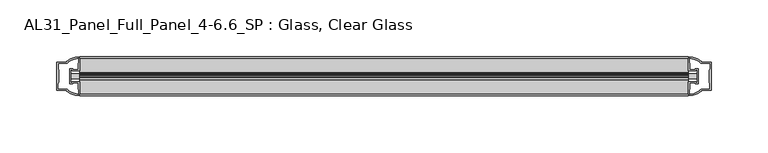
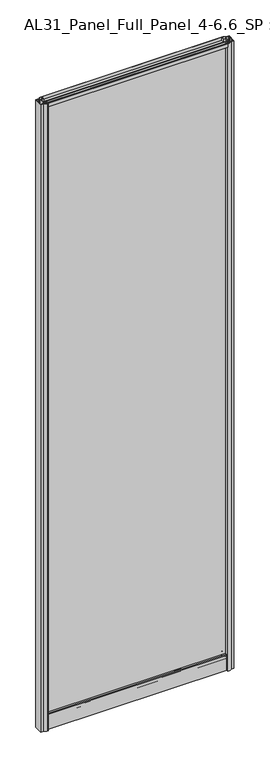
"""IFC4 building model written with IfcOpenShell, lengths in millimetres: plate geometry, AL31_Panel_Full_Panel_4-6.6_SP : Glass, Clear Glass."""

import ifcopenshell
import ifcopenshell.guid

model = None  # the IFC model being written
_history = None  # IfcOwnerHistory: only IFC2X3 demands one
_inside = {}  # id of a spatial element -> (the spatial element, [elements in it])
_under = {}  # id of a project, library or spatial element -> (it, [spatial elements below it])
_declared = {}  # id of a project -> (the project, [libraries it declares])
_typed = {}  # id of a type object -> (the type object, [elements of that type])
_made_of = {}  # id of a material, layer set ... -> (it, [elements and type objects made of it])


def new_model(schema):
    """Start an empty IFC model of exactly this schema.

    Asked for "IFC4X3", IfcOpenShell would pick the latest addendum, in which some entities
    have other attributes; the version numbers below select the first issue.
    IFC2X3 requires an IfcOwnerHistory on every rooted entity: one is made here for all.
    """
    global model, _history
    if schema == "IFC4X3":
        model = ifcopenshell.file(schema_version=(4, 3, 0, 0))
    else:
        model = ifcopenshell.file(schema=schema)
    _inside.clear()
    _under.clear()
    _declared.clear()
    _typed.clear()
    _made_of.clear()
    _history = None
    if model.schema == "IFC2X3":
        org = make("IfcOrganization", Name="unknown")
        user = make(
            "IfcPersonAndOrganization",
            ThePerson=make("IfcPerson", FamilyName="unknown"),
            TheOrganization=org,
        )
        app = make(
            "IfcApplication",
            ApplicationDeveloper=org,
            Version="unknown",
            ApplicationFullName="unknown",
            ApplicationIdentifier="unknown",
        )
        _history = make(
            "IfcOwnerHistory",
            OwningUser=user,
            OwningApplication=app,
            ChangeAction="ADDED",
            CreationDate=0,
        )
    return model


def make(cls, **values):
    """One entity of the class cls with the attributes given. An attribute that is None is left unset."""
    return model.create_entity(
        cls, **{name: value for name, value in values.items() if value is not None}
    )


def rooted(cls, **values):
    """An entity with a GlobalId (a new one), such as an element, a storey or a relation."""
    return make(cls, GlobalId=ifcopenshell.guid.new(), OwnerHistory=_history, **values)


def si_unit(unit_type, name, prefix=None):
    """IfcSIUnit, for example si_unit("LENGTHUNIT", "METRE", prefix="MILLI")."""
    return make("IfcSIUnit", UnitType=unit_type, Prefix=prefix, Name=name)


def assignment(units):
    """IfcUnitAssignment: the units of a project."""
    return None if units is None else make("IfcUnitAssignment", Units=units)


def point(xyz):
    """IfcCartesianPoint."""
    return None if xyz is None else make("IfcCartesianPoint", Coordinates=xyz)


def direction(xyz):
    """IfcDirection."""
    return None if xyz is None else make("IfcDirection", DirectionRatios=xyz)


def frame(location, z_axis=None, x_axis=None):
    """IfcAxis2Placement3D, a coordinate frame: its origin and axes. An axis left out is left unset."""
    return make(
        "IfcAxis2Placement3D",
        Location=point(location),
        Axis=direction(z_axis),
        RefDirection=direction(x_axis),
    )


def frame_2d(location, x_axis=None):
    """IfcAxis2Placement2D, a coordinate frame in the plane: its origin and x axis."""
    return make(
        "IfcAxis2Placement2D", Location=point(location), RefDirection=direction(x_axis)
    )


def origin():
    """The frame at (0, 0, 0) with its axes left unset."""
    return frame((0.0, 0.0, 0.0))


def origin_with_axes():
    """The frame at (0, 0, 0) with the z axis (0, 0, 1) and the x axis (1, 0, 0) written out."""
    return frame((0.0, 0.0, 0.0), z_axis=(0.0, 0.0, 1.0), x_axis=(1.0, 0.0, 0.0))


def place(relative_to, where):
    """IfcLocalPlacement: puts the frame where relative to a parent placement (None: the world)."""
    return make(
        "IfcLocalPlacement", PlacementRelTo=relative_to, RelativePlacement=where
    )


def context(
    kind, dimensions, precision=None, world=None, true_north=None, identifier=None
):
    """IfcGeometricRepresentationContext, for example the 3D "Model" context."""
    return make(
        "IfcGeometricRepresentationContext",
        ContextIdentifier=identifier,
        ContextType=kind,
        CoordinateSpaceDimension=dimensions,
        Precision=precision,
        WorldCoordinateSystem=world,
        TrueNorth=true_north,
    )


def project(units=None, contexts=None):
    """IfcProject with its units and contexts."""
    return rooted(
        "IfcProject",
        Name="project",
        RepresentationContexts=contexts,
        UnitsInContext=assignment(units),
    )


def spatial(cls, under=None, at=None, **own):
    """A site, building, storey or space (cls), placed at a placement, below another one or the project."""
    s = rooted(cls, ObjectPlacement=at, **own)
    if under is not None:
        _under.setdefault(under.id(), (under, []))[1].append(s)
    return s


def polyline(points):
    """IfcPolyline through the points."""
    return make("IfcPolyline", Points=[point(p) for p in points])


def circle_curve(where, radius):
    """IfcCircle in the frame where."""
    return make("IfcCircle", Position=where, Radius=radius)


def trimmed(basis, trim1, trim2, sense, master):
    """IfcTrimmedCurve: the piece of a basis curve between two trims."""
    return make(
        "IfcTrimmedCurve",
        BasisCurve=basis,
        Trim1=trim1,
        Trim2=trim2,
        SenseAgreement=sense,
        MasterRepresentation=master,
    )


def segment(curve, same_sense, transition):
    """IfcCompositeCurveSegment."""
    return make(
        "IfcCompositeCurveSegment",
        Transition=transition,
        SameSense=same_sense,
        ParentCurve=curve,
    )


def composite_curve(segments, self_intersect=None):
    """IfcCompositeCurve: segments joined end to end."""
    return make("IfcCompositeCurve", Segments=segments, SelfIntersect=self_intersect)


def outline(outer, holes=None, kind="AREA"):
    """IfcArbitraryClosedProfileDef: a profile drawn as a closed curve; with holes, ...WithVoids."""
    if holes is None:
        return make("IfcArbitraryClosedProfileDef", ProfileType=kind, OuterCurve=outer)
    return make(
        "IfcArbitraryProfileDefWithVoids",
        ProfileType=kind,
        OuterCurve=outer,
        InnerCurves=holes,
    )


def extrude(swept, where, along, depth):
    """IfcExtrudedAreaSolid: the profile swept, set in the frame where, extruded along a direction by depth."""
    return make(
        "IfcExtrudedAreaSolid",
        SweptArea=swept,
        Position=where,
        ExtrudedDirection=direction(along),
        Depth=depth,
    )


def shape(context_of_items, identifier, shape_type, items):
    """IfcShapeRepresentation: the items that make up one representation, for example the "Body"."""
    return make(
        "IfcShapeRepresentation",
        ContextOfItems=context_of_items,
        RepresentationIdentifier=identifier,
        RepresentationType=shape_type,
        Items=items,
    )


def source(mapping_origin, context_of_items, identifier, shape_type, items):
    """IfcRepresentationMap: a shape defined once, which mapped items show again and again."""
    return make(
        "IfcRepresentationMap",
        MappingOrigin=mapping_origin,
        MappedRepresentation=shape(context_of_items, identifier, shape_type, items),
    )


def transform(
    local_origin,
    x_axis=None,
    y_axis=None,
    z_axis=None,
    scale=None,
    scale2=None,
    scale3=None,
    uniform=True,
):
    """IfcCartesianTransformationOperator3D, or its non-uniform kind. x_axis, y_axis, z_axis: its Axis1, 2, 3."""
    if uniform:
        return make(
            "IfcCartesianTransformationOperator3D",
            Axis1=direction(x_axis),
            Axis2=direction(y_axis),
            LocalOrigin=point(local_origin),
            Scale=scale,
            Axis3=direction(z_axis),
        )
    return make(
        "IfcCartesianTransformationOperator3DnonUniform",
        Axis1=direction(x_axis),
        Axis2=direction(y_axis),
        LocalOrigin=point(local_origin),
        Scale=scale,
        Axis3=direction(z_axis),
        Scale2=scale2,
        Scale3=scale3,
    )


def mapped(mapping_source, mapping_target):
    """IfcMappedItem: shows the shape of a source again, moved by a transform."""
    return make(
        "IfcMappedItem", MappingSource=mapping_source, MappingTarget=mapping_target
    )


def made_of(thing, what):
    """Note that an element or type object is made of a material, layer set ...; save() writes the relation."""
    if what is not None:
        _made_of.setdefault(what.id(), (what, []))[1].append(thing)
    return thing


def element(
    cls,
    number,
    at=None,
    inside=None,
    cuts=None,
    type_object=None,
    material=None,
    context=None,
    identifier="Body",
    shape_type=None,
    held_by="IfcProductDefinitionShape",
    body=None,
    shapes=None,
    **own,
):
    """One element of the class cls, such as IfcWall. Its Tag is "e" and its number.

    at: its placement. inside: the storey or other place that contains it. cuts: it is an
    opening in that element (IfcRelVoidsElement). A single representation is given by context,
    identifier, shape_type and body (its items); several are given by shapes. held_by: the class
    of the entity that holds the representations. save() writes the other relations.
    """
    e = rooted(cls, Tag="e%d" % number, ObjectPlacement=at, **own)
    if body is not None:
        shapes = [shape(context, identifier, shape_type, body)]
    if shapes is not None:
        e.Representation = make(held_by, Representations=shapes)
    if inside is not None:
        _inside.setdefault(inside.id(), (inside, []))[1].append(e)
    if cuts is not None:
        rooted(
            "IfcRelVoidsElement", RelatingBuildingElement=cuts, RelatedOpeningElement=e
        )
    if type_object is not None:
        _typed.setdefault(type_object.id(), (type_object, []))[1].append(e)
    return made_of(e, material)


def aggregate(whole, parts):
    """IfcRelAggregates: a whole, such as a stair, and the parts it consists of."""
    return rooted("IfcRelAggregates", RelatingObject=whole, RelatedObjects=parts)


def save(model, path):
    """Write the relations noted so far, then the file.

    IfcRelAggregates (storeys below a building ...), IfcRelContainedInSpatialStructure (elements
    in a storey), IfcRelDefinesByType, IfcRelAssociatesMaterial and IfcRelDeclares: one each for
    every whole, place, type object, material and project.
    """
    for whole, parts in _under.values():
        aggregate(whole, parts)
    for where, things in _inside.values():
        rooted(
            "IfcRelContainedInSpatialStructure",
            RelatedElements=things,
            RelatingStructure=where,
        )
    for kind, things in _typed.values():
        rooted("IfcRelDefinesByType", RelatedObjects=things, RelatingType=kind)
    for what, things in _made_of.values():
        rooted("IfcRelAssociatesMaterial", RelatedObjects=things, RelatingMaterial=what)
    for by, libraries in _declared.values():
        rooted("IfcRelDeclares", RelatingContext=by, RelatedDefinitions=libraries)
    model.write(path)


def al31_panel_full_panel_4_6_6_sp_glass_clear_glass_26924549(model_context):
    return source(origin(), model_context, "Body", "SweptSolid", [
        extrude(outline(composite_curve([segment(polyline([(-1.4, 1968.8980762), (-0.85, 1967.9454483)]), True, "CONTINUOUS"), segment(trimmed(circle_curve(frame_2d((0.1, 1966.3)), 1.9), [point((-0.85, 1967.9454483))], [point((1.05, 1967.9454483))], True, "CARTESIAN"), True, "CONTINUOUS"), segment(polyline([(1.05, 1967.9454483), (1.6, 1968.8980762)]), True, "CONTINUOUS"), segment(trimmed(circle_curve(frame_2d((0.1, 1966.3)), 3.0), [point((1.6, 1968.8980762))], [point((2.5718414, 1964.6))], False, "CARTESIAN"), True, "CONTINUOUS"), segment(polyline([(2.5718414, 1964.6), (15.7, 1964.6), (15.7, 1974.0), (17.0, 1974.0), (17.0, 1963.5), (6.7024688, 1963.5), (6.7024688, 1962.7), (6.1968782, 1960.7785039), (6.1968782, 1956.1), (5.0, 1956.1), (5.0, 1961.4339746), (5.5, 1962.3), (5.5, 1963.5), (-5.5, 1963.5), (-5.5, 1962.3), (-5.0, 1961.4339746), (-5.0, 1956.1), (-6.1968782, 1956.1), (-6.1968782, 1960.7785039), (-6.7024688, 1962.7), (-6.7024688, 1963.5), (-17.0, 1963.5), (-17.0, 1974.0), (-15.7, 1974.0), (-15.7, 1964.6), (-2.3718414, 1964.6)]), True, "CONTINUOUS"), segment(trimmed(circle_curve(frame_2d((0.1, 1966.3)), 3.0), [point((-2.3718414, 1964.6))], [point((-1.4, 1968.8980762))], False, "CARTESIAN"), True, "CONTINUOUS")], self_intersect=False)), frame((-267.3676316, 0.0, 0.0), z_axis=(1.0, 0.0, 0.0), x_axis=(0.0, 1.0, 0.0)), (0.0, 0.0, 1.0), 534.7352632),
        extrude(outline(composite_curve([segment(polyline([(-275.209053, -5.9), (-274.009053, -5.9), (-274.009053, -5.0), (-267.3676316, -5.0), (-267.3676316, -17.0001453)]), True, "CONTINUOUS"), segment(trimmed(circle_curve(frame_2d((-267.00298, 2.9965302)), 20.0), [point((-267.3676316, -17.0001453))], [point((-278.7234668, -13.2093388))], False, "CARTESIAN"), True, "CONTINUOUS"), segment(polyline([(-278.7234668, -13.2093388), (-278.7234668, -12.3279343), (-287.3676316, -12.3279343), (-287.3676316, 12.3720657), (-278.7234668, 12.3720657), (-278.7234668, 13.2095249)]), True, "CONTINUOUS"), segment(trimmed(circle_curve(frame_2d((-267.00298, -2.9963441)), 20.0), [point((-278.7234668, 13.2095249))], [point((-267.3676316, 17.0003314))], False, "CARTESIAN"), True, "CONTINUOUS"), segment(polyline([(-267.3676316, 17.0003314), (-267.3676316, 5.0), (-274.009053, 5.0), (-274.009053, 5.9), (-275.209053, 5.9), (-275.209053, -5.9)]), True, "CONTINUOUS")], self_intersect=False), holes=[composite_curve([segment(trimmed(circle_curve(frame_2d((-274.209053, 5.7)), 1.5), [point((-274.209053, 7.2))], [point((-272.8537987, 6.3428731))], False, "CARTESIAN"), True, "CONTINUOUS"), segment(polyline([(-272.8537987, 6.3428731), (-269.109053, 6.3428731), (-269.109053, 10.939223), (-268.6697131, 11.9998832), (-268.6697131, 15.6499817)]), True, "CONTINUOUS"), segment(trimmed(circle_curve(frame_2d((-267.00298, -2.9755921)), 18.7), [point((-268.6697131, 15.6499817))], [point((-277.0097578, 12.8216987))], True, "CARTESIAN"), True, "CONTINUOUS"), segment(trimmed(circle_curve(frame_2d((-278.809053, 12.8720657)), 1.8), [point((-277.0097578, 12.8216987))], [point((-278.809053, 11.0720657))], False, "CARTESIAN"), True, "CONTINUOUS"), segment(polyline([(-278.809053, 11.0720657), (-285.9504743, 11.0720657), (-285.9504743, 6.5019606), (-285.509053, 5.439223), (-285.509053, -5.3950916), (-286.009053, -6.3879987), (-286.009053, -11.0279343), (-278.809053, -11.0279343)]), True, "CONTINUOUS"), segment(trimmed(circle_curve(frame_2d((-278.809053, -12.8279343)), 1.8), [point((-278.809053, -11.0279343))], [point((-277.0097578, -12.7775673))], False, "CARTESIAN"), True, "CONTINUOUS"), segment(trimmed(circle_curve(frame_2d((-267.00298, 3.0197235)), 18.7), [point((-277.0097578, -12.7775673))], [point((-268.6697131, -15.6058503))], True, "CARTESIAN"), True, "CONTINUOUS"), segment(polyline([(-268.6697131, -15.6058503), (-268.6697131, -11.9557518), (-269.109053, -10.8950916), (-269.109053, -6.2991308), (-272.8339012, -6.2991308)]), True, "CONTINUOUS"), segment(trimmed(circle_curve(frame_2d((-274.209053, -5.7)), 1.5), [point((-272.8339012, -6.2991308))], [point((-274.209053, -7.2))], False, "CARTESIAN"), True, "CONTINUOUS"), segment(polyline([(-274.209053, -7.2), (-276.509053, -7.2), (-276.509053, 7.2), (-274.209053, 7.2)]), True, "CONTINUOUS")], self_intersect=False)]), origin_with_axes(), (0.0, 0.0, 1.0), 1974.0),
        extrude(outline(composite_curve([segment(polyline([(275.209053, 5.9), (274.009053, 5.9), (274.009053, 5.0), (267.3676316, 5.0), (267.3676316, 17.0001453)]), True, "CONTINUOUS"), segment(trimmed(circle_curve(frame_2d((267.00298, -2.9965302)), 20.0), [point((267.3676316, 17.0001453))], [point((278.7234668, 13.2093388))], False, "CARTESIAN"), True, "CONTINUOUS"), segment(polyline([(278.7234668, 13.2093388), (278.7234668, 12.3279343), (287.3676316, 12.3279343), (287.3676316, -12.3720657), (278.7234668, -12.3720657), (278.7234668, -13.2095249)]), True, "CONTINUOUS"), segment(trimmed(circle_curve(frame_2d((267.00298, 2.9963441)), 20.0), [point((278.7234668, -13.2095249))], [point((267.3676316, -17.0003314))], False, "CARTESIAN"), True, "CONTINUOUS"), segment(polyline([(267.3676316, -17.0003314), (267.3676316, -5.0), (274.009053, -5.0), (274.009053, -5.9), (275.209053, -5.9), (275.209053, 5.9)]), True, "CONTINUOUS")], self_intersect=False), holes=[composite_curve([segment(trimmed(circle_curve(frame_2d((274.209053, -5.7)), 1.5), [point((274.209053, -7.2))], [point((272.8537987, -6.3428731))], False, "CARTESIAN"), True, "CONTINUOUS"), segment(polyline([(272.8537987, -6.3428731), (269.109053, -6.3428731), (269.109053, -10.939223), (268.6697131, -11.9998832), (268.6697131, -15.6499817)]), True, "CONTINUOUS"), segment(trimmed(circle_curve(frame_2d((267.00298, 2.9755921)), 18.7), [point((268.6697131, -15.6499817))], [point((277.0097578, -12.8216987))], True, "CARTESIAN"), True, "CONTINUOUS"), segment(trimmed(circle_curve(frame_2d((278.809053, -12.8720657)), 1.8), [point((277.0097578, -12.8216987))], [point((278.809053, -11.0720657))], False, "CARTESIAN"), True, "CONTINUOUS"), segment(polyline([(278.809053, -11.0720657), (285.9504743, -11.0720657), (285.9504743, -6.5019606), (285.509053, -5.439223), (285.509053, 5.3950916), (286.009053, 6.3879987), (286.009053, 11.0279343), (278.809053, 11.0279343)]), True, "CONTINUOUS"), segment(trimmed(circle_curve(frame_2d((278.809053, 12.8279343)), 1.8), [point((278.809053, 11.0279343))], [point((277.0097578, 12.7775673))], False, "CARTESIAN"), True, "CONTINUOUS"), segment(trimmed(circle_curve(frame_2d((267.00298, -3.0197235)), 18.7), [point((277.0097578, 12.7775673))], [point((268.6697131, 15.6058503))], True, "CARTESIAN"), True, "CONTINUOUS"), segment(polyline([(268.6697131, 15.6058503), (268.6697131, 11.9557518), (269.109053, 10.8950916), (269.109053, 6.2991308), (272.8339012, 6.2991308)]), True, "CONTINUOUS"), segment(trimmed(circle_curve(frame_2d((274.209053, 5.7)), 1.5), [point((272.8339012, 6.2991308))], [point((274.209053, 7.2))], False, "CARTESIAN"), True, "CONTINUOUS"), segment(polyline([(274.209053, 7.2), (276.509053, 7.2), (276.509053, -7.2), (274.209053, -7.2)]), True, "CONTINUOUS")], self_intersect=False)]), origin_with_axes(), (0.0, 0.0, 1.0), 1974.0),
        extrude(outline(composite_curve([segment(trimmed(circle_curve(frame_2d((-8.4, 34.8)), 1.0), [point((-8.4, 35.8))], [point((-9.4, 34.8))], True, "CARTESIAN"), True, "CONTINUOUS"), segment(polyline([(-9.4, 34.8), (-9.4, 33.5), (-5.0000303, 33.5), (-5.0000303, 32.3), (-9.4, 32.3), (-9.4, 0.0), (-10.6, 0.0), (-10.6, 47.3)]), True, "CONTINUOUS"), segment(trimmed(circle_curve(frame_2d((-8.6, 47.3)), 2.0), [point((-10.6, 47.3))], [point((-8.6, 49.3))], False, "CARTESIAN"), True, "CONTINUOUS"), segment(polyline([(-8.6, 49.3), (-5.0, 49.3), (-5.0, 41.9), (5.0, 41.9), (5.0, 49.3), (8.6, 49.3)]), True, "CONTINUOUS"), segment(trimmed(circle_curve(frame_2d((8.6, 47.3)), 2.0), [point((8.6, 49.3))], [point((10.6, 47.3))], False, "CARTESIAN"), True, "CONTINUOUS"), segment(polyline([(10.6, 47.3), (10.6, 0.0), (9.4, 0.0), (9.4, 32.3), (4.9999697, 32.3), (4.9999697, 33.5), (9.4, 33.5), (9.4, 34.8)]), True, "CONTINUOUS"), segment(trimmed(circle_curve(frame_2d((8.4, 34.8)), 1.0), [point((9.4, 34.8))], [point((8.4, 35.8))], True, "CARTESIAN"), True, "CONTINUOUS"), segment(polyline([(8.4, 35.8), (-8.4, 35.8)]), True, "CONTINUOUS")], self_intersect=False), holes=[composite_curve([segment(trimmed(circle_curve(frame_2d((5.5024688, 41.8)), 1.0), [point((6.5024688, 41.8))], [point((5.5024688, 40.8))], False, "CARTESIAN"), True, "CONTINUOUS"), segment(polyline([(5.5024688, 40.8), (2.8008965, 40.8), (2.8008965, 39.7274194), (1.8370508, 39.7274194)]), True, "CONTINUOUS"), segment(trimmed(circle_curve(frame_2d((0.0, 38.7)), 2.1048387), [point((1.8370508, 39.7274194))], [point((-1.8370508, 39.7274194))], True, "CARTESIAN"), True, "CONTINUOUS"), segment(polyline([(-1.8370508, 39.7274194), (-2.8008965, 39.7274194), (-2.8008965, 40.8), (-5.5024688, 40.8)]), True, "CONTINUOUS"), segment(trimmed(circle_curve(frame_2d((-5.5024688, 41.8)), 1.0), [point((-5.5024688, 40.8))], [point((-6.5024688, 41.8))], False, "CARTESIAN"), True, "CONTINUOUS"), segment(polyline([(-6.5024688, 41.8), (-6.5024688, 42.7)]), True, "CONTINUOUS"), segment(trimmed(circle_curve(frame_2d((-5.3024688, 42.7)), 1.2), [point((-6.5024688, 42.7))], [point((-6.1198184, 43.5786009))], False, "CARTESIAN"), True, "CONTINUOUS"), segment(polyline([(-6.1198184, 43.5786009), (-6.1198184, 48.2), (-8.4, 48.2)]), True, "CONTINUOUS"), segment(trimmed(circle_curve(frame_2d((-8.4, 47.2)), 1.0), [point((-8.4, 48.2))], [point((-9.4, 47.2))], True, "CARTESIAN"), True, "CONTINUOUS"), segment(polyline([(-9.4, 47.2), (-9.4, 37.04), (-2.8008965, 37.04), (-2.8008965, 38.0725806), (-1.8370508, 38.0725806)]), True, "CONTINUOUS"), segment(trimmed(circle_curve(frame_2d((0.0, 39.1)), 2.1048387), [point((-1.8370508, 38.0725806))], [point((1.8370508, 38.0725806))], True, "CARTESIAN"), True, "CONTINUOUS"), segment(polyline([(1.8370508, 38.0725806), (2.8008965, 38.0725806), (2.8008965, 37.04), (9.4, 37.04), (9.4, 47.2)]), True, "CONTINUOUS"), segment(trimmed(circle_curve(frame_2d((8.4, 47.2)), 1.0), [point((9.4, 47.2))], [point((8.4, 48.2))], True, "CARTESIAN"), True, "CONTINUOUS"), segment(polyline([(8.4, 48.2), (6.1198184, 48.2), (6.1198184, 43.7786009)]), True, "CONTINUOUS"), segment(trimmed(circle_curve(frame_2d((5.3024688, 42.9)), 1.2), [point((6.1198184, 43.7786009))], [point((6.5024688, 42.9))], False, "CARTESIAN"), True, "CONTINUOUS"), segment(polyline([(6.5024688, 42.9), (6.5024688, 41.8)]), True, "CONTINUOUS")], self_intersect=False)]), frame((-267.3676316, 0.0, 0.0), z_axis=(1.0, 0.0, 0.0), x_axis=(0.0, 1.0, 0.0)), (0.0, 0.0, 1.0), 534.7352632),
        extrude(outline(polyline([(275.209053, 2.0), (275.209053, -2.0), (-275.209053, -2.0), (-275.209053, 2.0), (275.209053, 2.0)])), frame((0.0, 0.0, 41.9), z_axis=(0.0, 0.0, 1.0), x_axis=(1.0, 0.0, 0.0)), (0.0, 0.0, 1.0), 1921.6),
    ])


if __name__ == "__main__":
    model = new_model("IFC4")
    model_context = context("Model", 3, world=origin())
    ifc_project = project(units=[si_unit("LENGTHUNIT", "METRE", prefix="MILLI")], contexts=[model_context])
    site = spatial("IfcSite", under=ifc_project)
    building = spatial("IfcBuilding", under=site)
    placement = place(None, origin())
    al31_panel_full_panel_4_6_6_sp_glass_clear_glass_shape = al31_panel_full_panel_4_6_6_sp_glass_clear_glass_26924549(model_context)
    element("IfcPlate", 1, ObjectType="AL31_Panel_Full_Panel_4-6.6_SP : Glass, Clear Glass", at=placement, inside=building, context=model_context, shape_type="MappedRepresentation", body=[
        mapped(al31_panel_full_panel_4_6_6_sp_glass_clear_glass_shape, transform((0.0, 0.0, 0.0), x_axis=(1.0, 0.0, 0.0), y_axis=(0.0, 1.0, 0.0), z_axis=(0.0, 0.0, 1.0))),
    ])
    save(model, "model.ifc")
